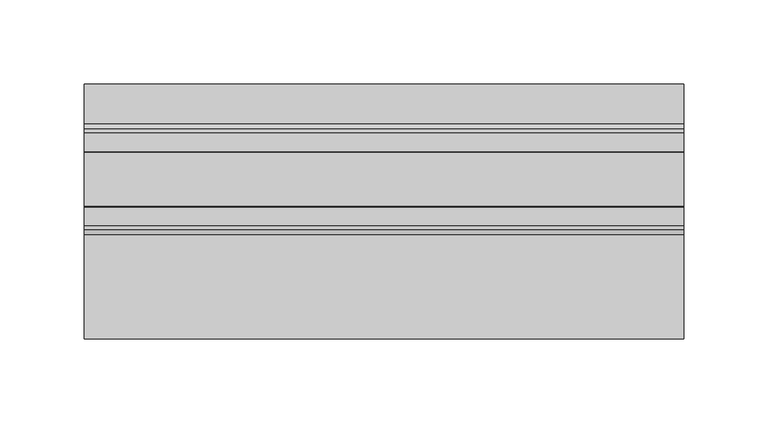
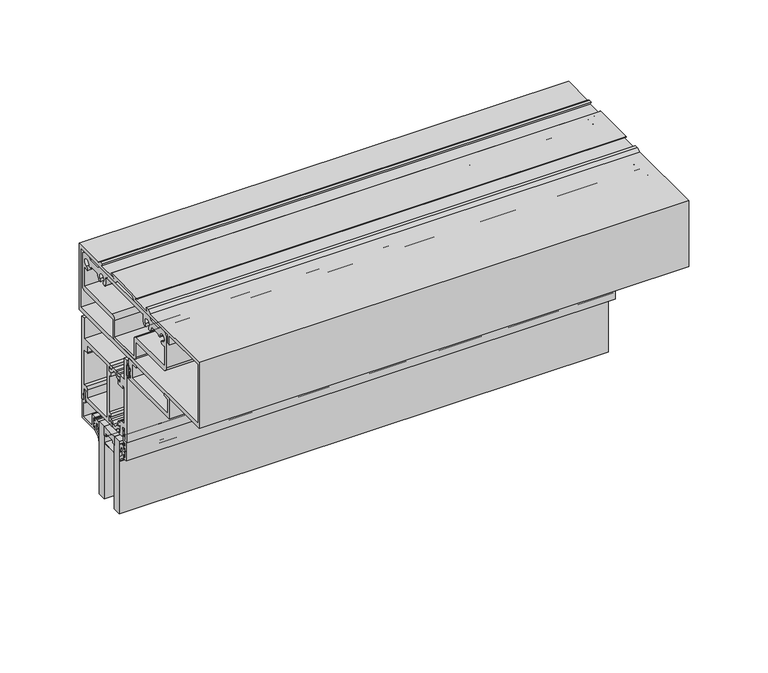
"""IFC4 building model written with IfcOpenShell, lengths in millimetres: plate geometry."""

from ifc_helpers import new_model, si_unit, point, frame, frame_2d, origin, place, context, project, spatial, polyline, circle_curve, trimmed, segment, composite_curve, outline, extrude, source, transform, mapped, element, save


def plate_f03c325b(model_context):
    return source(origin(), model_context, "Body", "SweptSolid", [
        extrude(outline(composite_curve([segment(trimmed(circle_curve(frame_2d((-12.7, 252.348624)), 24.4943092), [point((-19.05, 228.6917289))], [point((-6.35, 228.6917289))], True, "CARTESIAN"), True, "CONTINUOUS"), segment(polyline([(-6.35, 228.6917289), (-6.35, 221.663957)]), True, "CONTINUOUS"), segment(trimmed(circle_curve(frame_2d((-7.14375, 221.663957)), 0.79375), [point((-6.35, 221.663957))], [point((-7.14375, 222.457707))], True, "CARTESIAN"), True, "CONTINUOUS"), segment(polyline([(-7.14375, 222.457707), (-8.3728775, 222.457707), (-8.3728775, 223.5556044)]), True, "CONTINUOUS"), segment(trimmed(circle_curve(frame_2d((-9.1666275, 223.5556044)), 0.79375), [point((-8.3728775, 223.5556044))], [point((-9.1666275, 224.3493544))], True, "CARTESIAN"), True, "CONTINUOUS"), segment(polyline([(-9.1666275, 224.3493544), (-16.2333725, 224.3493544)]), True, "CONTINUOUS"), segment(trimmed(circle_curve(frame_2d((-16.2333725, 223.5556044)), 0.79375), [point((-16.2333725, 224.3493544))], [point((-17.0271225, 223.5556044))], True, "CARTESIAN"), True, "CONTINUOUS"), segment(polyline([(-17.0271225, 223.5556044), (-17.0271225, 222.457707), (-18.25625, 222.457707)]), True, "CONTINUOUS"), segment(trimmed(circle_curve(frame_2d((-18.25625, 221.663957)), 0.79375), [point((-18.25625, 222.457707))], [point((-19.05, 221.663957))], True, "CARTESIAN"), True, "CONTINUOUS"), segment(polyline([(-19.05, 221.663957), (-19.05, 228.6917289)]), True, "CONTINUOUS")], self_intersect=False)), frame((-177.8, 0.0, 0.0), z_axis=(1.0, 0.0, 0.0), x_axis=(0.0, 1.0, 0.0)), (0.0, 0.0, 1.0), 355.6),
        extrude(outline(composite_curve([segment(polyline([(-34.9514484, 293.1066499), (-34.9514484, 285.1817967)]), True, "CONTINUOUS"), segment(trimmed(circle_curve(frame_2d((-36.1452484, 285.1817967)), 1.1938), [point((-34.9514484, 285.1817967))], [point((-37.3390484, 285.1817967))], False, "CARTESIAN"), True, "CONTINUOUS"), segment(polyline([(-37.3390484, 285.1817967), (-37.3390484, 287.1879153), (-38.31675, 287.1879153), (-38.31675, 285.7147153), (-39.2186484, 285.7147153), (-39.2186484, 287.5689153), (-37.7962484, 287.5689153), (-37.7962484, 290.7185153), (-39.2186484, 290.7185153), (-39.2186484, 292.5727153), (-38.31675, 292.5727153), (-38.31675, 291.0995153), (-37.3390484, 291.0995153), (-37.3390484, 293.1066499)]), True, "CONTINUOUS"), segment(trimmed(circle_curve(frame_2d((-36.1452484, 293.1066499)), 1.1938), [point((-37.3390484, 293.1066499))], [point((-34.9514484, 293.1066499))], False, "CARTESIAN"), True, "CONTINUOUS")], self_intersect=False), holes=[composite_curve([segment(trimmed(circle_curve(frame_2d((-36.1452484, 293.1066499)), 0.6858), [point((-35.4594484, 293.1066499))], [point((-36.8310484, 293.1066499))], True, "CARTESIAN"), True, "CONTINUOUS"), segment(polyline([(-36.8310484, 293.1066499), (-36.8310484, 285.1817967)]), True, "CONTINUOUS"), segment(trimmed(circle_curve(frame_2d((-36.1452484, 285.1817967)), 0.6858), [point((-36.8310484, 285.1817967))], [point((-35.4594484, 285.1817967))], True, "CARTESIAN"), True, "CONTINUOUS"), segment(polyline([(-35.4594484, 285.1817967), (-35.4594484, 293.1066499)]), True, "CONTINUOUS")], self_intersect=False)]), frame((-177.8, 0.0, 0.0), z_axis=(1.0, 0.0, 0.0), x_axis=(0.0, 1.0, 0.0)), (0.0, 0.0, 1.0), 355.6),
        extrude(outline(polyline([(-177.8, -6.35), (-177.8, 0.0), (177.8, 0.0), (177.8, -6.35), (-177.8, -6.35)])), frame((0.0, 0.0, 172.6847153), z_axis=(0.0, 0.0, 1.0), x_axis=(1.0, 0.0, 0.0)), (0.0, 0.0, 1.0), 56.0070136),
        extrude(outline(polyline([(-177.8, -25.4), (-177.8, -19.05), (177.8, -19.05), (177.8, -25.4), (-177.8, -25.4)])), frame((0.0, 0.0, 172.6847153), z_axis=(0.0, 0.0, 1.0), x_axis=(1.0, 0.0, 0.0)), (0.0, 0.0, 1.0), 56.0070136),
        extrude(outline(composite_curve([segment(polyline([(1.2146236, 217.7547881), (3.6195019, 220.0298082), (3.6195019, 223.3964394)]), True, "CONTINUOUS"), segment(trimmed(circle_curve(frame_2d((3.9370017, 223.7514153)), 0.47625), [point((3.6195019, 223.3964394))], [point((3.619501, 224.1063905))], True, "CARTESIAN"), True, "CONTINUOUS"), segment(polyline([(3.619501, 224.1063905), (3.619501, 225.6894264)]), True, "CONTINUOUS"), segment(trimmed(circle_curve(frame_2d((3.1116463, 224.2840488)), 1.4943235), [point((3.619501, 225.6894264))], [point((1.6174209, 224.301171))], True, "CARTESIAN"), True, "CONTINUOUS"), segment(polyline([(1.6174209, 224.301171), (0.5798898, 220.9663861)]), True, "CONTINUOUS"), segment(trimmed(circle_curve(frame_2d((0.2963183, 221.0546119)), 0.2969791), [point((0.5798898, 220.9663861))], [point((0.0, 221.0348119))], False, "CARTESIAN"), True, "CONTINUOUS"), segment(polyline([(0.0, 221.0348119), (0.0, 225.0824819)]), True, "CONTINUOUS"), segment(trimmed(circle_curve(frame_2d((2.8819649, 225.2349635)), 2.8859959), [point((0.0, 225.0824819))], [point((2.7993723, 228.1197774))], False, "CARTESIAN"), True, "CONTINUOUS"), segment(polyline([(2.7993723, 228.1197774), (3.619501, 228.1432578), (4.7625003, 228.1432578), (4.7625003, 225.2246164), (6.1341013, 225.2246164), (6.1341013, 226.5374454)]), True, "CONTINUOUS"), segment(trimmed(circle_curve(frame_2d((6.4896997, 226.8248149)), 0.4571996), [point((6.1341013, 226.5374454))], [point((6.9468994, 226.8248149))], False, "CARTESIAN"), True, "CONTINUOUS"), segment(polyline([(6.9468994, 226.8248149), (6.9468994, 224.7570221)]), True, "CONTINUOUS"), segment(trimmed(circle_curve(frame_2d((6.4706494, 224.7065795)), 0.4789139), [point((6.9468994, 224.7570221))], [point((6.4706494, 224.2276656))], False, "CARTESIAN"), True, "CONTINUOUS"), segment(trimmed(circle_curve(frame_2d((6.4706494, 223.7514156)), 0.47625), [point((6.4706494, 224.2276656))], [point((6.4706494, 223.2751656))], True, "CARTESIAN"), True, "CONTINUOUS"), segment(trimmed(circle_curve(frame_2d((6.3248962, 222.6704806)), 0.6220032), [point((6.4706494, 223.2751656))], [point((6.9468994, 222.6704806))], False, "CARTESIAN"), True, "CONTINUOUS"), segment(polyline([(6.9468994, 222.6704806), (6.9468994, 220.6780162)]), True, "CONTINUOUS"), segment(trimmed(circle_curve(frame_2d((6.4896997, 220.6780162)), 0.4571996), [point((6.9468994, 220.6780162))], [point((6.134102, 220.9653866))], False, "CARTESIAN"), True, "CONTINUOUS"), segment(polyline([(6.134102, 220.9653866), (6.134102, 222.2782299), (4.7625003, 222.2782299), (4.7625003, 218.4065425), (1.4889495, 215.9053304)]), True, "CONTINUOUS"), segment(trimmed(circle_curve(frame_2d((3.0879023, 213.93243)), 2.5394854), [point((1.4889495, 215.9053304))], [point((0.5496136, 213.8544755))], True, "CARTESIAN"), True, "CONTINUOUS"), segment(trimmed(circle_curve(frame_2d((0.2748716, 213.8460377)), 0.2748716), [point((0.5496136, 213.8544755))], [point((0.0, 213.8460377))], False, "CARTESIAN"), True, "CONTINUOUS"), segment(polyline([(0.0, 213.8460377), (0.0, 215.5592614)]), True, "CONTINUOUS"), segment(trimmed(circle_curve(frame_2d((3.0412561, 215.3105023)), 3.0514128), [point((0.0, 215.5592614))], [point((1.2146236, 217.7547881))], False, "CARTESIAN"), True, "CONTINUOUS")], self_intersect=False)), frame((-177.8, 0.0, 0.0), z_axis=(1.0, 0.0, 0.0), x_axis=(0.0, 1.0, 0.0)), (0.0, 0.0, 1.0), 355.6),
        extrude(outline(composite_curve([segment(trimmed(circle_curve(frame_2d((-28.4412561, 215.3105023)), 3.0514128), [point((-26.6146236, 217.7547881))], [point((-25.4, 215.5592614))], False, "CARTESIAN"), True, "CONTINUOUS"), segment(polyline([(-25.4, 215.5592614), (-25.4, 213.8460377)]), True, "CONTINUOUS"), segment(trimmed(circle_curve(frame_2d((-25.6748716, 213.8460377)), 0.2748716), [point((-25.4, 213.8460377))], [point((-25.9496136, 213.8544755))], False, "CARTESIAN"), True, "CONTINUOUS"), segment(trimmed(circle_curve(frame_2d((-28.4879023, 213.93243)), 2.5394854), [point((-25.9496136, 213.8544755))], [point((-26.8889495, 215.9053304))], True, "CARTESIAN"), True, "CONTINUOUS"), segment(polyline([(-26.8889495, 215.9053304), (-30.1625003, 218.4065425), (-30.1625003, 222.2782299), (-31.534102, 222.2782299), (-31.534102, 220.9653866)]), True, "CONTINUOUS"), segment(trimmed(circle_curve(frame_2d((-31.8896997, 220.6780162)), 0.4571996), [point((-31.534102, 220.9653866))], [point((-32.3468994, 220.6780162))], False, "CARTESIAN"), True, "CONTINUOUS"), segment(polyline([(-32.3468994, 220.6780162), (-32.3468994, 222.6704806)]), True, "CONTINUOUS"), segment(trimmed(circle_curve(frame_2d((-31.7248962, 222.6704806)), 0.6220032), [point((-32.3468994, 222.6704806))], [point((-31.8706494, 223.2751656))], False, "CARTESIAN"), True, "CONTINUOUS"), segment(trimmed(circle_curve(frame_2d((-31.8706494, 223.7514156)), 0.47625), [point((-31.8706494, 223.2751656))], [point((-31.8706494, 224.2276656))], True, "CARTESIAN"), True, "CONTINUOUS"), segment(trimmed(circle_curve(frame_2d((-31.8706494, 224.7065795)), 0.4789139), [point((-31.8706494, 224.2276656))], [point((-32.3468994, 224.7570221))], False, "CARTESIAN"), True, "CONTINUOUS"), segment(polyline([(-32.3468994, 224.7570221), (-32.3468994, 226.8248149)]), True, "CONTINUOUS"), segment(trimmed(circle_curve(frame_2d((-31.8896997, 226.8248149)), 0.4571996), [point((-32.3468994, 226.8248149))], [point((-31.5341013, 226.5374454))], False, "CARTESIAN"), True, "CONTINUOUS"), segment(polyline([(-31.5341013, 226.5374454), (-31.5341013, 225.2246164), (-30.1625, 225.2246164), (-30.1625, 228.1432578), (-29.019501, 228.1432578), (-28.1993723, 228.1197774)]), True, "CONTINUOUS"), segment(trimmed(circle_curve(frame_2d((-28.2819649, 225.2349635)), 2.8859959), [point((-28.1993723, 228.1197774))], [point((-25.4, 225.0824819))], False, "CARTESIAN"), True, "CONTINUOUS"), segment(polyline([(-25.4, 225.0824819), (-25.4, 221.0348119)]), True, "CONTINUOUS"), segment(trimmed(circle_curve(frame_2d((-25.6963183, 221.0546119)), 0.2969791), [point((-25.4, 221.0348119))], [point((-25.9798898, 220.9663861))], False, "CARTESIAN"), True, "CONTINUOUS"), segment(polyline([(-25.9798898, 220.9663861), (-27.0174209, 224.301171)]), True, "CONTINUOUS"), segment(trimmed(circle_curve(frame_2d((-28.5116463, 224.2840488)), 1.4943235), [point((-27.0174209, 224.301171))], [point((-29.019501, 225.6894264))], True, "CARTESIAN"), True, "CONTINUOUS"), segment(polyline([(-29.019501, 225.6894264), (-29.019501, 224.1063905)]), True, "CONTINUOUS"), segment(trimmed(circle_curve(frame_2d((-29.3370017, 223.7514153)), 0.47625), [point((-29.019501, 224.1063905))], [point((-29.0195019, 223.3964394))], True, "CARTESIAN"), True, "CONTINUOUS"), segment(polyline([(-29.0195019, 223.3964394), (-29.0195019, 220.0298082), (-26.6146236, 217.7547881)]), True, "CONTINUOUS")], self_intersect=False)), frame((-177.8, 0.0, 0.0), z_axis=(1.0, 0.0, 0.0), x_axis=(0.0, 1.0, 0.0)), (0.0, 0.0, 1.0), 355.6),
        extrude(outline(composite_curve([segment(trimmed(circle_curve(frame_2d((19.0500001, 234.7414348)), 1.4732), [point((17.5768001, 234.7414348))], [point((18.2080195, 235.9503131))], False, "CARTESIAN"), True, "CONTINUOUS"), segment(polyline([(18.2080195, 235.9503131), (17.0960031, 242.0744148), (18.4105948, 242.0744148), (19.7607074, 234.6405968), (18.9879884, 234.7500377), (18.9879884, 233.0353133), (21.4376001, 232.9050148), (21.4376001, 218.6302148), (4.9022001, 218.6302148), (4.7752001, 220.6622148)]), True, "CONTINUOUS"), segment(trimmed(circle_curve(frame_2d((5.5881395, 220.6621578)), 0.8129393), [point((4.7752001, 220.6622148))], [point((5.7899301, 221.4496544))], False, "CARTESIAN"), True, "CONTINUOUS"), segment(polyline([(5.7899301, 221.4496544), (5.7899301, 219.9002148), (7.1628001, 219.9002148), (7.1628001, 227.3932148), (5.7899301, 227.3932148), (5.7899301, 225.8437751)]), True, "CONTINUOUS"), segment(trimmed(circle_curve(frame_2d((5.5881398, 226.6312721)), 0.8129397), [point((5.7899301, 225.8437751))], [point((4.7752001, 226.6312721))], False, "CARTESIAN"), True, "CONTINUOUS"), segment(polyline([(4.7752001, 226.6312721), (4.7752001, 228.6632148), (8.7376001, 228.6632148), (8.7376001, 220.1034148), (19.9644001, 220.1034148), (19.9644001, 231.5588148), (19.0500001, 231.5588148)]), True, "CONTINUOUS"), segment(trimmed(circle_curve(frame_2d((19.0500001, 233.0320148)), 1.4732), [point((19.0500001, 231.5588148))], [point((17.5768001, 233.0320148))], False, "CARTESIAN"), True, "CONTINUOUS"), segment(polyline([(17.5768001, 233.0320148), (17.5768001, 234.7414348)]), True, "CONTINUOUS")], self_intersect=False)), frame((-177.8, 0.0, 0.0), z_axis=(1.0, 0.0, 0.0), x_axis=(0.0, 1.0, 0.0)), (0.0, 0.0, 1.0), 355.6),
        extrude(outline(composite_curve([segment(polyline([(-8.3728775, 223.5556044), (-8.3728775, 222.457707), (-7.14375, 222.457707)]), True, "CONTINUOUS"), segment(trimmed(circle_curve(frame_2d((-7.14375, 221.663957)), 0.79375), [point((-7.14375, 222.457707))], [point((-6.35, 221.663957))], False, "CARTESIAN"), True, "CONTINUOUS"), segment(polyline([(-6.35, 221.663957), (-6.35, 216.7854789)]), True, "CONTINUOUS"), segment(trimmed(circle_curve(frame_2d((-7.14375, 216.7854789)), 0.79375), [point((-6.35, 216.7854789))], [point((-7.14375, 215.9917289))], False, "CARTESIAN"), True, "CONTINUOUS"), segment(polyline([(-7.14375, 215.9917289), (-18.25625, 215.9917289)]), True, "CONTINUOUS"), segment(trimmed(circle_curve(frame_2d((-18.25625, 216.7854789)), 0.79375), [point((-18.25625, 215.9917289))], [point((-19.05, 216.7854789))], False, "CARTESIAN"), True, "CONTINUOUS"), segment(polyline([(-19.05, 216.7854789), (-19.05, 221.663957)]), True, "CONTINUOUS"), segment(trimmed(circle_curve(frame_2d((-18.25625, 221.663957)), 0.79375), [point((-19.05, 221.663957))], [point((-18.25625, 222.457707))], False, "CARTESIAN"), True, "CONTINUOUS"), segment(polyline([(-18.25625, 222.457707), (-17.0271225, 222.457707), (-17.0271225, 223.5556044)]), True, "CONTINUOUS"), segment(trimmed(circle_curve(frame_2d((-16.2333725, 223.5556044)), 0.79375), [point((-17.0271225, 223.5556044))], [point((-16.2333725, 224.3493544))], False, "CARTESIAN"), True, "CONTINUOUS"), segment(polyline([(-16.2333725, 224.3493544), (-9.1666275, 224.3493544)]), True, "CONTINUOUS"), segment(trimmed(circle_curve(frame_2d((-9.1666275, 223.5556044)), 0.79375), [point((-9.1666275, 224.3493544))], [point((-8.3728775, 223.5556044))], False, "CARTESIAN"), True, "CONTINUOUS")], self_intersect=False), holes=[composite_curve([segment(polyline([(-16.5191225, 223.8413544), (-16.5191225, 222.743457)]), True, "CONTINUOUS"), segment(trimmed(circle_curve(frame_2d((-17.3128725, 222.743457)), 0.79375), [point((-16.5191225, 222.743457))], [point((-17.3128725, 221.949707))], False, "CARTESIAN"), True, "CONTINUOUS"), segment(polyline([(-17.3128725, 221.949707), (-18.542, 221.949707), (-18.542, 216.4997289), (-6.858, 216.4997289), (-6.858, 221.949707), (-8.0871275, 221.949707)]), True, "CONTINUOUS"), segment(trimmed(circle_curve(frame_2d((-8.0871275, 222.743457)), 0.79375), [point((-8.0871275, 221.949707))], [point((-8.8808775, 222.743457))], False, "CARTESIAN"), True, "CONTINUOUS"), segment(polyline([(-8.8808775, 222.743457), (-8.8808775, 223.8413544), (-16.5191225, 223.8413544)]), True, "CONTINUOUS")], self_intersect=False)]), frame((-177.8, 0.0, 0.0), z_axis=(1.0, 0.0, 0.0), x_axis=(0.0, 1.0, 0.0)), (0.0, 0.0, 1.0), 355.6),
        extrude(outline(composite_curve([segment(polyline([(-34.1276564, 218.7349153), (-34.0673249, 232.9997986), (-31.6471876, 232.9997986), (-31.6471876, 234.631996), (-32.4372227, 234.5209638), (-31.0981976, 241.9539199), (-29.8175355, 241.8307794), (-30.9128526, 235.7506519)]), True, "CONTINUOUS"), segment(trimmed(circle_curve(frame_2d((-31.7464064, 234.5359477)), 1.4732), [point((-30.9128526, 235.7506519))], [point((-30.2732064, 234.5359477))], False, "CARTESIAN"), True, "CONTINUOUS"), segment(polyline([(-30.2732064, 234.5359477), (-30.2732064, 233.0224153)]), True, "CONTINUOUS"), segment(trimmed(circle_curve(frame_2d((-31.7464064, 233.0224153)), 1.4732), [point((-30.2732064, 233.0224153))], [point((-31.7464064, 231.5492153))], False, "CARTESIAN"), True, "CONTINUOUS"), segment(polyline([(-31.7464064, 231.5492153), (-32.6544564, 231.5492153), (-32.6544564, 228.7679153), (-30.1589064, 228.7679153), (-30.1589064, 226.7486153)]), True, "CONTINUOUS"), segment(trimmed(circle_curve(frame_2d((-30.9717064, 226.7486153)), 0.8128), [point((-30.1589064, 226.7486153))], [point((-31.1749064, 225.9616251))], False, "CARTESIAN"), True, "CONTINUOUS"), segment(polyline([(-31.1749064, 225.9616251), (-31.1749064, 227.4979153), (-32.5401564, 227.4979153), (-32.5401564, 220.0049153), (-31.1749064, 220.0049153), (-31.1749064, 221.5666055)]), True, "CONTINUOUS"), segment(trimmed(circle_curve(frame_2d((-30.9717064, 220.7796153)), 0.8128), [point((-31.1749064, 221.5666055))], [point((-30.1589064, 220.7796153))], False, "CARTESIAN"), True, "CONTINUOUS"), segment(polyline([(-30.1589064, 220.7796153), (-30.2859064, 218.7349153), (-34.1276564, 218.7349153)]), True, "CONTINUOUS")], self_intersect=False)), frame((-177.8, 0.0, 0.0), z_axis=(1.0, 0.0, 0.0), x_axis=(0.0, 1.0, 0.0)), (0.0, 0.0, 1.0), 355.6),
        extrude(outline(composite_curve([segment(trimmed(circle_curve(frame_2d((19.0500001, 234.7414348)), 1.4732), [point((17.5768001, 234.7414348))], [point((18.2080195, 235.9503131))], False, "CARTESIAN"), True, "CONTINUOUS"), segment(polyline([(18.2080195, 235.9503131), (17.0960031, 242.0744148), (18.4105948, 242.0744148), (19.7607074, 234.6405968), (18.9879884, 234.7500377), (18.9879884, 233.0353133), (21.4376001, 232.9050148), (21.4376001, 218.6302148), (4.9022001, 218.6302148), (4.7752001, 220.6622148)]), True, "CONTINUOUS"), segment(trimmed(circle_curve(frame_2d((5.5881395, 220.6621578)), 0.8129393), [point((4.7752001, 220.6622148))], [point((5.7899301, 221.4496544))], False, "CARTESIAN"), True, "CONTINUOUS"), segment(polyline([(5.7899301, 221.4496544), (5.7899301, 219.9002148), (7.1628001, 219.9002148), (7.1628001, 227.3932148), (5.7899301, 227.3932148), (5.7899301, 225.8437751)]), True, "CONTINUOUS"), segment(trimmed(circle_curve(frame_2d((5.5881398, 226.6312721)), 0.8129397), [point((5.7899301, 225.8437751))], [point((4.7752001, 226.6312721))], False, "CARTESIAN"), True, "CONTINUOUS"), segment(polyline([(4.7752001, 226.6312721), (4.7752001, 228.6632148), (8.7376001, 228.6632148), (8.7376001, 220.1034148), (19.9644001, 220.1034148), (19.9644001, 231.5588148), (19.0500001, 231.5588148)]), True, "CONTINUOUS"), segment(trimmed(circle_curve(frame_2d((19.0500001, 233.0320148)), 1.4732), [point((19.0500001, 231.5588148))], [point((17.5768001, 233.0320148))], False, "CARTESIAN"), True, "CONTINUOUS"), segment(polyline([(17.5768001, 233.0320148), (17.5768001, 234.7414348)]), True, "CONTINUOUS")], self_intersect=False)), frame((-177.8, 0.0, 0.0), z_axis=(1.0, 0.0, 0.0), x_axis=(0.0, 1.0, 0.0)), (0.0, 0.0, 1.0), 355.6),
        extrude(outline(composite_curve([segment(trimmed(circle_curve(frame_2d((-37.73499, 291.8615153)), 0.4318), [point((-37.30319, 291.8615153))], [point((-38.1346289, 292.0250391))], False, "CARTESIAN"), True, "CONTINUOUS"), segment(trimmed(circle_curve(frame_2d((-38.7116898, 292.2611602)), 0.6235002), [point((-38.1346289, 292.0250391))], [point((-39.33519, 292.2611602))], True, "CARTESIAN"), True, "CONTINUOUS"), segment(polyline([(-39.33519, 292.2611602), (-39.33519, 285.9687153)]), True, "CONTINUOUS"), segment(trimmed(circle_curve(frame_2d((-38.7222466, 286.0627884)), 0.6201205), [point((-39.33519, 285.9687153))], [point((-38.1402463, 286.2768563))], True, "CARTESIAN"), True, "CONTINUOUS"), segment(trimmed(circle_curve(frame_2d((-37.73499, 286.4259153)), 0.4318), [point((-38.1402463, 286.2768563))], [point((-37.30319, 286.4259153))], False, "CARTESIAN"), True, "CONTINUOUS"), segment(polyline([(-37.30319, 286.4259153), (-37.30319, 284.5971153)]), True, "CONTINUOUS"), segment(trimmed(circle_curve(frame_2d((-38.09059, 284.5971153)), 0.7874), [point((-37.30319, 284.5971153))], [point((-38.09059, 283.8097153))], False, "CARTESIAN"), True, "CONTINUOUS"), segment(polyline([(-38.09059, 283.8097153), (-88.1032275, 283.8097153), (-88.1032275, 299.6847153), (-81.7532275, 299.5739713), (-81.7532275, 298.1099153), (-86.5284275, 298.1099153), (-86.5284275, 286.9847153), (-41.5196275, 286.9847153), (-41.5196275, 298.1099153), (-46.8282275, 298.1099153), (-46.8282275, 299.5183453), (-37.30319, 299.6847153), (-37.30319, 291.8615153)]), True, "CONTINUOUS")], self_intersect=False)), frame((-177.8, 0.0, 0.0), z_axis=(1.0, 0.0, 0.0), x_axis=(0.0, 1.0, 0.0)), (0.0, 0.0, 1.0), 355.6),
        extrude(outline(composite_curve([segment(polyline([(19.0500001, 280.6474153), (19.0500001, 296.5224153), (21.8948001, 296.5224153), (21.8948001, 233.0224153), (19.0500001, 233.0224153), (19.0500001, 234.2924153), (19.862795, 234.2924153), (19.4499993, 242.5220153), (17.0688001, 242.5220153), (17.0688001, 236.1910934)]), True, "CONTINUOUS"), segment(trimmed(circle_curve(frame_2d((15.4940001, 236.1910934)), 1.5748), [point((17.0688001, 236.1910934))], [point((15.4940001, 234.6162934))], False, "CARTESIAN"), True, "CONTINUOUS"), segment(polyline([(15.4940001, 234.6162934), (-12.4616861, 234.6162934), (-14.6792966, 235.2105003), (-15.283713, 234.707152)]), True, "CONTINUOUS"), segment(trimmed(circle_curve(frame_2d((-15.8690069, 235.287496)), 0.8242378), [point((-15.283713, 234.707152))], [point((-16.5466491, 235.7567177))], False, "CARTESIAN"), True, "CONTINUOUS"), segment(polyline([(-16.5466491, 235.7567177), (-15.8444381, 236.7708392), (-14.1842071, 237.500107), (-12.9464135, 236.3561103)]), True, "CONTINUOUS"), segment(trimmed(circle_curve(frame_2d((-12.3966681, 236.5800475)), 0.5936058), [point((-12.9464135, 236.3561103))], [point((-11.8030624, 236.5800475))], True, "CARTESIAN"), True, "CONTINUOUS"), segment(polyline([(-11.8030624, 236.5800475), (-11.8030624, 241.6113576), (-14.8259799, 241.1722604), (-14.8259799, 243.3199966), (-12.4078999, 243.3199966), (-12.4078999, 271.9437121), (-14.8259799, 271.9437121), (-14.8259799, 274.8939851), (-12.0014999, 274.4837121), (-12.0014999, 278.6836612)]), True, "CONTINUOUS"), segment(trimmed(circle_curve(frame_2d((-12.5951057, 278.6836612)), 0.5936058), [point((-12.0014999, 278.6836612))], [point((-13.1887114, 278.6836612))], True, "CARTESIAN"), True, "CONTINUOUS"), segment(polyline([(-13.1887114, 278.6836612), (-14.1842071, 277.7636016), (-15.8444381, 278.4928695), (-16.5466491, 279.506991)]), True, "CONTINUOUS"), segment(trimmed(circle_curve(frame_2d((-15.8690069, 279.9762127)), 0.8242378), [point((-16.5466491, 279.506991))], [point((-15.283713, 280.5565566))], False, "CARTESIAN"), True, "CONTINUOUS"), segment(polyline([(-15.283713, 280.5565566), (-14.6792966, 280.0532084), (-12.4616861, 280.6474153), (19.0500001, 280.6474153)]), True, "CONTINUOUS")], self_intersect=False), holes=[composite_curve([segment(trimmed(circle_curve(frame_2d((15.0876001, 272.7311121)), 0.7874), [point((15.0876001, 271.9437121))], [point((14.3002001, 272.7311121))], False, "CARTESIAN"), True, "CONTINUOUS"), segment(polyline([(14.3002001, 272.7311121), (14.3002001, 277.4724153), (-9.2328999, 277.4724153), (-9.2328999, 237.7912934), (14.3002001, 237.7912934), (14.3002001, 244.1222153)]), True, "CONTINUOUS"), segment(trimmed(circle_curve(frame_2d((15.8750001, 244.1222153)), 1.5748), [point((14.3002001, 244.1222153))], [point((15.8750001, 245.6970153))], False, "CARTESIAN"), True, "CONTINUOUS"), segment(polyline([(15.8750001, 245.6970153), (18.7198001, 245.6970153), (18.7198001, 271.9437121), (15.0876001, 271.9437121)]), True, "CONTINUOUS")], self_intersect=False)]), frame((-177.8, 0.0, 0.0), z_axis=(1.0, 0.0, 0.0), x_axis=(0.0, 1.0, 0.0)), (0.0, 0.0, 1.0), 355.6),
        extrude(outline(composite_curve([segment(polyline([(-23.7820199, 239.8550278), (-26.6064999, 241.4857421), (-26.6064999, 236.5918521)]), True, "CONTINUOUS"), segment(trimmed(circle_curve(frame_2d((-26.0984998, 236.5918521)), 0.508), [point((-26.6064999, 236.5918521))], [point((-26.0926066, 236.0838862))], True, "CARTESIAN"), True, "CONTINUOUS"), segment(polyline([(-26.0926066, 236.0838862), (-24.4021052, 237.5023853), (-22.7635618, 236.7826438), (-21.9926524, 235.6693093), (-21.9926524, 234.6280979), (-23.1924006, 234.6280979), (-23.8073259, 235.2430233), (-26.146241, 234.6163129), (-28.1861634, 234.6163129)]), True, "CONTINUOUS"), segment(trimmed(circle_curve(frame_2d((-28.1939999, 236.1910934)), 1.5748), [point((-28.1861634, 234.6163129))], [point((-29.7687999, 236.1910934))], False, "CARTESIAN"), True, "CONTINUOUS"), segment(polyline([(-29.7687999, 236.1910934), (-29.7687999, 242.5220153), (-32.1499991, 242.5220153), (-32.5627999, 234.2924153), (-31.7499999, 234.2924153), (-31.7499999, 233.0224153), (-34.5947999, 233.0224153), (-34.5947999, 296.5224153), (-31.7499999, 296.5224153), (-31.7499999, 280.6474153), (-26.1463137, 280.6474153), (-23.9287032, 280.0532084), (-22.4438438, 280.6474153), (-21.9101175, 279.7229743), (-22.7675508, 278.4984326), (-24.238078, 277.7465668), (-26.6064998, 279.4049536), (-26.6064998, 273.7897712), (-23.7820198, 275.4204855), (-23.7820198, 271.9437121), (-29.7698572, 271.9437121), (-29.7698572, 273.4424337)]), True, "CONTINUOUS"), segment(trimmed(circle_curve(frame_2d((-30.5958838, 273.4424337)), 0.8260266), [point((-29.7698572, 273.4424337))], [point((-31.4219104, 273.4424337))], True, "CARTESIAN"), True, "CONTINUOUS"), segment(polyline([(-31.4219104, 273.4424337), (-31.4219104, 245.6970153), (-28.1685999, 245.6970153)]), True, "CONTINUOUS"), segment(trimmed(circle_curve(frame_2d((-28.1685999, 244.1222153)), 1.5748), [point((-28.1685999, 245.6970153))], [point((-26.8134467, 243.3199966))], False, "CARTESIAN"), True, "CONTINUOUS"), segment(polyline([(-26.8134467, 243.3199966), (-23.7820199, 243.3199966), (-23.7820199, 239.8550278)]), True, "CONTINUOUS")], self_intersect=False)), frame((-177.8, 0.0, 0.0), z_axis=(1.0, 0.0, 0.0), x_axis=(0.0, 1.0, 0.0)), (0.0, 0.0, 1.0), 355.6),
        extrude(outline(composite_curve([segment(trimmed(circle_curve(frame_2d((-23.1809622, 242.2374204)), 2.4892), [point((-24.4255622, 240.0817099))], [point((-23.5568194, 239.7767603))], True, "CARTESIAN"), True, "CONTINUOUS"), segment(trimmed(circle_curve(frame_2d((-23.9403472, 237.2658827)), 2.54), [point((-23.5568194, 239.7767603))], [point((-21.9860723, 238.8883529))], False, "CARTESIAN"), True, "CONTINUOUS"), segment(polyline([(-21.9860723, 238.8883529), (-20.6266866, 237.2509649)]), True, "CONTINUOUS"), segment(trimmed(circle_curve(frame_2d((-19.2977797, 238.3542447)), 1.7272), [point((-20.6266866, 237.2509649))], [point((-17.9688728, 237.2509649))], True, "CARTESIAN"), True, "CONTINUOUS"), segment(polyline([(-17.9688728, 237.2509649), (-16.6095134, 238.8883212)]), True, "CONTINUOUS"), segment(trimmed(circle_curve(frame_2d((-14.6552385, 237.2658509)), 2.54), [point((-16.6095134, 238.8883212))], [point((-15.0387663, 239.7767285))], False, "CARTESIAN"), True, "CONTINUOUS"), segment(trimmed(circle_curve(frame_2d((-15.4146236, 242.2373886)), 2.4892), [point((-15.0387663, 239.7767285))], [point((-14.1700236, 240.0816782))], True, "CARTESIAN"), True, "CONTINUOUS"), segment(polyline([(-14.1700236, 240.0816782), (-11.9953005, 241.3372551), (-11.9953005, 236.2412063), (-14.9359681, 237.8773974), (-17.566093, 234.7093966), (-21.029508, 234.7093966), (-23.834942, 238.0885581), (-26.5506911, 236.541001), (-26.5506911, 241.3086537), (-24.4255622, 240.0817099)]), True, "CONTINUOUS")], self_intersect=False)), frame((-177.8, 0.0, 0.0), z_axis=(1.0, 0.0, 0.0), x_axis=(0.0, 1.0, 0.0)), (0.0, 0.0, 1.0), 355.6),
        extrude(outline(composite_curve([segment(polyline([(-24.4237926, 275.1944315), (-26.5568905, 274.0075731), (-26.5568905, 279.0475646), (-23.5912193, 277.3353336), (-21.0357074, 280.4134626), (-17.5722923, 280.4134626), (-14.9421674, 277.2454618), (-12.1255233, 278.8126461), (-12.1255233, 274.5497918), (-14.1197627, 275.2068338)]), True, "CONTINUOUS"), segment(trimmed(circle_curve(frame_2d((-15.3643627, 273.0511234)), 2.4892), [point((-14.1197627, 275.2068338))], [point((-14.9885054, 275.5117834))], True, "CARTESIAN"), True, "CONTINUOUS"), segment(trimmed(circle_curve(frame_2d((-14.6049777, 278.0226611)), 2.54), [point((-14.9885054, 275.5117834))], [point((-16.5592525, 276.4001908))], False, "CARTESIAN"), True, "CONTINUOUS"), segment(polyline([(-16.5592525, 276.4001908), (-17.8965359, 278.0109564)]), True, "CONTINUOUS"), segment(trimmed(circle_curve(frame_2d((-19.2254428, 276.9076766)), 1.7272), [point((-17.8965359, 278.0109564))], [point((-20.5543497, 278.0109564))], True, "CARTESIAN"), True, "CONTINUOUS"), segment(polyline([(-20.5543497, 278.0109564), (-22.020802, 276.3464041)]), True, "CONTINUOUS"), segment(trimmed(circle_curve(frame_2d((-23.9293144, 277.957658)), 2.4977107), [point((-22.020802, 276.3464041))], [point((-23.5632497, 275.4869181))], False, "CARTESIAN"), True, "CONTINUOUS"), segment(trimmed(circle_curve(frame_2d((-23.1923385, 272.9834667)), 2.5307794), [point((-23.5632497, 275.4869181))], [point((-24.4237926, 275.1944315))], True, "CARTESIAN"), True, "CONTINUOUS")], self_intersect=False)), frame((-177.8, 0.0, 0.0), z_axis=(1.0, 0.0, 0.0), x_axis=(0.0, 1.0, 0.0)), (0.0, 0.0, 1.0), 355.6),
        extrude(outline(composite_curve([segment(polyline([(19.0500001, 280.6474153), (19.0500001, 296.5224153), (21.8948001, 296.5224153), (21.8948001, 233.0224153), (19.0500001, 233.0224153), (19.0500001, 234.2924153), (19.862795, 234.2924153), (19.4499993, 242.5220153), (17.0688001, 242.5220153), (17.0688001, 236.1910934)]), True, "CONTINUOUS"), segment(trimmed(circle_curve(frame_2d((15.4940001, 236.1910934)), 1.5748), [point((17.0688001, 236.1910934))], [point((15.4940001, 234.6162934))], False, "CARTESIAN"), True, "CONTINUOUS"), segment(polyline([(15.4940001, 234.6162934), (-12.4616861, 234.6162934), (-14.6792966, 235.2105003), (-15.283713, 234.707152)]), True, "CONTINUOUS"), segment(trimmed(circle_curve(frame_2d((-15.8690069, 235.287496)), 0.8242378), [point((-15.283713, 234.707152))], [point((-16.5466491, 235.7567177))], False, "CARTESIAN"), True, "CONTINUOUS"), segment(polyline([(-16.5466491, 235.7567177), (-15.8444381, 236.7708392), (-14.1842071, 237.500107), (-12.9464135, 236.3561103)]), True, "CONTINUOUS"), segment(trimmed(circle_curve(frame_2d((-12.3966681, 236.5800475)), 0.5936058), [point((-12.9464135, 236.3561103))], [point((-11.8030624, 236.5800475))], True, "CARTESIAN"), True, "CONTINUOUS"), segment(polyline([(-11.8030624, 236.5800475), (-11.8030624, 241.6113576), (-14.8259799, 241.1722604), (-14.8259799, 243.3199966), (-12.4078999, 243.3199966), (-12.4078999, 271.9437121), (-14.8259799, 271.9437121), (-14.8259799, 274.8939851), (-12.0014999, 274.4837121), (-12.0014999, 278.6836612)]), True, "CONTINUOUS"), segment(trimmed(circle_curve(frame_2d((-12.5951057, 278.6836612)), 0.5936058), [point((-12.0014999, 278.6836612))], [point((-13.1887114, 278.6836612))], True, "CARTESIAN"), True, "CONTINUOUS"), segment(polyline([(-13.1887114, 278.6836612), (-14.1842071, 277.7636016), (-15.8444381, 278.4928695), (-16.5466491, 279.506991)]), True, "CONTINUOUS"), segment(trimmed(circle_curve(frame_2d((-15.8690069, 279.9762127)), 0.8242378), [point((-16.5466491, 279.506991))], [point((-15.283713, 280.5565566))], False, "CARTESIAN"), True, "CONTINUOUS"), segment(polyline([(-15.283713, 280.5565566), (-14.6792966, 280.0532084), (-12.4616861, 280.6474153), (19.0500001, 280.6474153)]), True, "CONTINUOUS")], self_intersect=False), holes=[composite_curve([segment(trimmed(circle_curve(frame_2d((15.0876001, 272.7311121)), 0.7874), [point((15.0876001, 271.9437121))], [point((14.3002001, 272.7311121))], False, "CARTESIAN"), True, "CONTINUOUS"), segment(polyline([(14.3002001, 272.7311121), (14.3002001, 277.4724153), (-9.2328999, 277.4724153), (-9.2328999, 237.7912934), (14.3002001, 237.7912934), (14.3002001, 244.1222153)]), True, "CONTINUOUS"), segment(trimmed(circle_curve(frame_2d((15.8750001, 244.1222153)), 1.5748), [point((14.3002001, 244.1222153))], [point((15.8750001, 245.6970153))], False, "CARTESIAN"), True, "CONTINUOUS"), segment(polyline([(15.8750001, 245.6970153), (18.7198001, 245.6970153), (18.7198001, 271.9437121), (15.0876001, 271.9437121)]), True, "CONTINUOUS")], self_intersect=False)]), frame((-177.8, 0.0, 0.0), z_axis=(1.0, 0.0, 0.0), x_axis=(0.0, 1.0, 0.0)), (0.0, 0.0, 1.0), 355.6),
        extrude(outline(composite_curve([segment(polyline([(-23.7820199, 239.8550278), (-26.6064999, 241.4857421), (-26.6064999, 236.5918521)]), True, "CONTINUOUS"), segment(trimmed(circle_curve(frame_2d((-26.0984998, 236.5918521)), 0.508), [point((-26.6064999, 236.5918521))], [point((-26.0926066, 236.0838862))], True, "CARTESIAN"), True, "CONTINUOUS"), segment(polyline([(-26.0926066, 236.0838862), (-24.4021052, 237.5023853), (-22.7635618, 236.7826438), (-21.9926524, 235.6693093), (-21.9926524, 234.6280979), (-23.1924006, 234.6280979), (-23.8073259, 235.2430233), (-26.146241, 234.6163129), (-28.1861634, 234.6163129)]), True, "CONTINUOUS"), segment(trimmed(circle_curve(frame_2d((-28.1939999, 236.1910934)), 1.5748), [point((-28.1861634, 234.6163129))], [point((-29.7687999, 236.1910934))], False, "CARTESIAN"), True, "CONTINUOUS"), segment(polyline([(-29.7687999, 236.1910934), (-29.7687999, 242.5220153), (-32.1499991, 242.5220153), (-32.5627999, 234.2924153), (-31.7499999, 234.2924153), (-31.7499999, 233.0224153), (-34.5947999, 233.0224153), (-34.5947999, 296.5224153), (-31.7499999, 296.5224153), (-31.7499999, 280.6474153), (-26.1463137, 280.6474153), (-23.9287032, 280.0532084), (-22.4438438, 280.6474153), (-21.9101175, 279.7229743), (-22.7675508, 278.4984326), (-24.238078, 277.7465668), (-26.6064998, 279.4049536), (-26.6064998, 273.7897712), (-23.7820198, 275.4204855), (-23.7820198, 271.9437121), (-29.7698572, 271.9437121), (-29.7698572, 273.4424337)]), True, "CONTINUOUS"), segment(trimmed(circle_curve(frame_2d((-30.5958838, 273.4424337)), 0.8260266), [point((-29.7698572, 273.4424337))], [point((-31.4219104, 273.4424337))], True, "CARTESIAN"), True, "CONTINUOUS"), segment(polyline([(-31.4219104, 273.4424337), (-31.4219104, 245.6970153), (-28.1685999, 245.6970153)]), True, "CONTINUOUS"), segment(trimmed(circle_curve(frame_2d((-28.1685999, 244.1222153)), 1.5748), [point((-28.1685999, 245.6970153))], [point((-26.8134467, 243.3199966))], False, "CARTESIAN"), True, "CONTINUOUS"), segment(polyline([(-26.8134467, 243.3199966), (-23.7820199, 243.3199966), (-23.7820199, 239.8550278)]), True, "CONTINUOUS")], self_intersect=False)), frame((-177.8, 0.0, 0.0), z_axis=(1.0, 0.0, 0.0), x_axis=(0.0, 1.0, 0.0)), (0.0, 0.0, 1.0), 355.6),
        extrude(outline(composite_curve([segment(polyline([(19.0500001, 280.6474153), (19.0500001, 296.5224153), (21.8948001, 296.5224153), (21.8948001, 233.0224153), (19.0500001, 233.0224153), (19.0500001, 234.2924153), (19.862795, 234.2924153), (19.4499993, 242.5220153), (17.0688001, 242.5220153), (17.0688001, 236.1910934)]), True, "CONTINUOUS"), segment(trimmed(circle_curve(frame_2d((15.4940001, 236.1910934)), 1.5748), [point((17.0688001, 236.1910934))], [point((15.4940001, 234.6162934))], False, "CARTESIAN"), True, "CONTINUOUS"), segment(polyline([(15.4940001, 234.6162934), (-12.4616861, 234.6162934), (-14.6792966, 235.2105003), (-15.283713, 234.707152)]), True, "CONTINUOUS"), segment(trimmed(circle_curve(frame_2d((-15.8690069, 235.287496)), 0.8242378), [point((-15.283713, 234.707152))], [point((-16.5466491, 235.7567177))], False, "CARTESIAN"), True, "CONTINUOUS"), segment(polyline([(-16.5466491, 235.7567177), (-15.8444381, 236.7708392), (-14.1842071, 237.500107), (-12.9464135, 236.3561103)]), True, "CONTINUOUS"), segment(trimmed(circle_curve(frame_2d((-12.3966681, 236.5800475)), 0.5936058), [point((-12.9464135, 236.3561103))], [point((-11.8030624, 236.5800475))], True, "CARTESIAN"), True, "CONTINUOUS"), segment(polyline([(-11.8030624, 236.5800475), (-11.8030624, 241.6113576), (-14.8259799, 241.1722604), (-14.8259799, 243.3199966), (-12.4078999, 243.3199966), (-12.4078999, 271.9437121), (-14.8259799, 271.9437121), (-14.8259799, 274.8939851), (-12.0014999, 274.4837121), (-12.0014999, 278.6836612)]), True, "CONTINUOUS"), segment(trimmed(circle_curve(frame_2d((-12.5951057, 278.6836612)), 0.5936058), [point((-12.0014999, 278.6836612))], [point((-13.1887114, 278.6836612))], True, "CARTESIAN"), True, "CONTINUOUS"), segment(polyline([(-13.1887114, 278.6836612), (-14.1842071, 277.7636016), (-15.8444381, 278.4928695), (-16.5466491, 279.506991)]), True, "CONTINUOUS"), segment(trimmed(circle_curve(frame_2d((-15.8690069, 279.9762127)), 0.8242378), [point((-16.5466491, 279.506991))], [point((-15.283713, 280.5565566))], False, "CARTESIAN"), True, "CONTINUOUS"), segment(polyline([(-15.283713, 280.5565566), (-14.6792966, 280.0532084), (-12.4616861, 280.6474153), (19.0500001, 280.6474153)]), True, "CONTINUOUS")], self_intersect=False), holes=[composite_curve([segment(trimmed(circle_curve(frame_2d((15.0876001, 272.7311121)), 0.7874), [point((15.0876001, 271.9437121))], [point((14.3002001, 272.7311121))], False, "CARTESIAN"), True, "CONTINUOUS"), segment(polyline([(14.3002001, 272.7311121), (14.3002001, 277.4724153), (-9.2328999, 277.4724153), (-9.2328999, 237.7912934), (14.3002001, 237.7912934), (14.3002001, 244.1222153)]), True, "CONTINUOUS"), segment(trimmed(circle_curve(frame_2d((15.8750001, 244.1222153)), 1.5748), [point((14.3002001, 244.1222153))], [point((15.8750001, 245.6970153))], False, "CARTESIAN"), True, "CONTINUOUS"), segment(polyline([(15.8750001, 245.6970153), (18.7198001, 245.6970153), (18.7198001, 271.9437121), (15.0876001, 271.9437121)]), True, "CONTINUOUS")], self_intersect=False)]), frame((-177.8, 0.0, 0.0), z_axis=(1.0, 0.0, 0.0), x_axis=(0.0, 1.0, 0.0)), (0.0, 0.0, 1.0), 355.6),
        extrude(outline(composite_curve([segment(polyline([(-23.7820199, 239.8550278), (-26.6064999, 241.4857421), (-26.6064999, 236.5918521)]), True, "CONTINUOUS"), segment(trimmed(circle_curve(frame_2d((-26.0984998, 236.5918521)), 0.508), [point((-26.6064999, 236.5918521))], [point((-26.0926066, 236.0838862))], True, "CARTESIAN"), True, "CONTINUOUS"), segment(polyline([(-26.0926066, 236.0838862), (-24.4021052, 237.5023853), (-22.7635618, 236.7826438), (-21.9926524, 235.6693093), (-21.9926524, 234.6280979), (-23.1924006, 234.6280979), (-23.8073259, 235.2430233), (-26.146241, 234.6163129), (-28.1861634, 234.6163129)]), True, "CONTINUOUS"), segment(trimmed(circle_curve(frame_2d((-28.1939999, 236.1910934)), 1.5748), [point((-28.1861634, 234.6163129))], [point((-29.7687999, 236.1910934))], False, "CARTESIAN"), True, "CONTINUOUS"), segment(polyline([(-29.7687999, 236.1910934), (-29.7687999, 242.5220153), (-32.1499991, 242.5220153), (-32.5627999, 234.2924153), (-31.7499999, 234.2924153), (-31.7499999, 233.0224153), (-34.5947999, 233.0224153), (-34.5947999, 296.5224153), (-31.7499999, 296.5224153), (-31.7499999, 280.6474153), (-26.1463137, 280.6474153), (-23.9287032, 280.0532084), (-22.4438438, 280.6474153), (-21.9101175, 279.7229743), (-22.7675508, 278.4984326), (-24.238078, 277.7465668), (-26.6064998, 279.4049536), (-26.6064998, 273.7897712), (-23.7820198, 275.4204855), (-23.7820198, 271.9437121), (-29.7698572, 271.9437121), (-29.7698572, 273.4424337)]), True, "CONTINUOUS"), segment(trimmed(circle_curve(frame_2d((-30.5958838, 273.4424337)), 0.8260266), [point((-29.7698572, 273.4424337))], [point((-31.4219104, 273.4424337))], True, "CARTESIAN"), True, "CONTINUOUS"), segment(polyline([(-31.4219104, 273.4424337), (-31.4219104, 245.6970153), (-28.1685999, 245.6970153)]), True, "CONTINUOUS"), segment(trimmed(circle_curve(frame_2d((-28.1685999, 244.1222153)), 1.5748), [point((-28.1685999, 245.6970153))], [point((-26.8134467, 243.3199966))], False, "CARTESIAN"), True, "CONTINUOUS"), segment(polyline([(-26.8134467, 243.3199966), (-23.7820199, 243.3199966), (-23.7820199, 239.8550278)]), True, "CONTINUOUS")], self_intersect=False)), frame((-177.8, 0.0, 0.0), z_axis=(1.0, 0.0, 0.0), x_axis=(0.0, 1.0, 0.0)), (0.0, 0.0, 1.0), 355.6),
        extrude(outline(composite_curve([segment(polyline([(-63.4339599, 347.3097153), (0.0660401, 347.3097153), (1.6408401, 345.7349153), (11.1785401, 345.7349153), (12.7660401, 347.3097153), (17.8435001, 347.3097153)]), True, "CONTINUOUS"), segment(trimmed(circle_curve(frame_2d((17.8435001, 344.1347153)), 3.175), [point((17.8435001, 347.3097153))], [point((21.0185001, 344.1347153))], False, "CARTESIAN"), True, "CONTINUOUS"), segment(polyline([(21.0185001, 344.1347153), (21.0185001, 320.6651153)]), True, "CONTINUOUS"), segment(trimmed(circle_curve(frame_2d((17.8435001, 320.6651153)), 3.175), [point((21.0185001, 320.6651153))], [point((17.8435001, 317.4901153))], False, "CARTESIAN"), True, "CONTINUOUS"), segment(polyline([(17.8435001, 317.4901153), (-17.4599599, 317.4901153), (-17.4599599, 305.6537153)]), True, "CONTINUOUS"), segment(trimmed(circle_curve(frame_2d((-19.8475599, 305.6537153)), 2.3876), [point((-17.4599599, 305.6537153))], [point((-19.8475599, 303.2661153))], False, "CARTESIAN"), True, "CONTINUOUS"), segment(polyline([(-19.8475599, 303.2661153), (-43.5203599, 303.2661153)]), True, "CONTINUOUS"), segment(trimmed(circle_curve(frame_2d((-43.5203599, 305.6537153)), 2.3876), [point((-43.5203599, 303.2661153))], [point((-45.9079599, 305.6537153))], False, "CARTESIAN"), True, "CONTINUOUS"), segment(polyline([(-45.9079599, 305.6537153), (-45.9079599, 317.4901153), (-81.2164999, 317.4901153)]), True, "CONTINUOUS"), segment(trimmed(circle_curve(frame_2d((-81.2164999, 320.6651153)), 3.175), [point((-81.2164999, 317.4901153))], [point((-84.3914999, 320.6651153))], False, "CARTESIAN"), True, "CONTINUOUS"), segment(polyline([(-84.3914999, 320.6651153), (-84.3914999, 344.1347153)]), True, "CONTINUOUS"), segment(trimmed(circle_curve(frame_2d((-81.2164999, 344.1347153)), 3.175), [point((-84.3914999, 344.1347153))], [point((-81.2164999, 347.3097153))], False, "CARTESIAN"), True, "CONTINUOUS"), segment(polyline([(-81.2164999, 347.3097153), (-76.1339599, 347.3097153), (-74.5591599, 345.7349153), (-65.0087599, 345.7349153), (-63.4339599, 347.3097153)]), True, "CONTINUOUS")], self_intersect=False), holes=[composite_curve([segment(polyline([(-66.513474, 340.6549153), (-73.6490099, 340.6549153)]), True, "CONTINUOUS"), segment(trimmed(circle_curve(frame_2d((-75.1940964, 340.9597153)), 1.5748635), [point((-73.6490099, 340.6549153))], [point((-76.7689599, 340.9597153))], False, "CARTESIAN"), True, "CONTINUOUS"), segment(trimmed(circle_curve(frame_2d((-79.3089599, 340.9597153)), 2.54), [point((-76.7689599, 340.9597153))], [point((-79.3089599, 338.4197153))], True, "CARTESIAN"), True, "CONTINUOUS"), segment(trimmed(circle_curve(frame_2d((-79.3089599, 336.8448518)), 1.5748635), [point((-79.3089599, 338.4197153))], [point((-79.3089599, 335.2699883))], False, "CARTESIAN"), True, "CONTINUOUS"), segment(trimmed(circle_curve(frame_2d((-79.3089599, 340.9597153)), 5.689727), [point((-79.3089599, 335.2699883))], [point((-81.6228999, 335.7617662))], False, "CARTESIAN"), True, "CONTINUOUS"), segment(polyline([(-81.6228999, 335.7617662), (-81.6228999, 321.4525153), (-46.6953599, 321.4525153)]), True, "CONTINUOUS"), segment(trimmed(circle_curve(frame_2d((-46.6953599, 318.2775153)), 3.175), [point((-46.6953599, 321.4525153))], [point((-43.5203599, 318.2775153))], False, "CARTESIAN"), True, "CONTINUOUS"), segment(polyline([(-43.5203599, 318.2775153), (-43.5203599, 305.6537153), (-19.8475599, 305.6537153), (-19.8475599, 318.2775153)]), True, "CONTINUOUS"), segment(trimmed(circle_curve(frame_2d((-16.6725599, 318.2775153)), 3.175), [point((-19.8475599, 318.2775153))], [point((-16.6725599, 321.4525153))], False, "CARTESIAN"), True, "CONTINUOUS"), segment(polyline([(-16.6725599, 321.4525153), (18.2499001, 321.4525153), (18.2499001, 335.7617662)]), True, "CONTINUOUS"), segment(trimmed(circle_curve(frame_2d((15.9359601, 340.9597153)), 5.689727), [point((18.2499001, 335.7617662))], [point((15.9359601, 335.2699883))], False, "CARTESIAN"), True, "CONTINUOUS"), segment(trimmed(circle_curve(frame_2d((15.9359601, 336.8448518)), 1.5748635), [point((15.9359601, 335.2699883))], [point((15.9359601, 338.4197153))], False, "CARTESIAN"), True, "CONTINUOUS"), segment(trimmed(circle_curve(frame_2d((15.9359601, 340.9597153)), 2.54), [point((15.9359601, 338.4197153))], [point((13.3959601, 340.9597153))], True, "CARTESIAN"), True, "CONTINUOUS"), segment(trimmed(circle_curve(frame_2d((11.8210966, 340.9597153)), 1.5748635), [point((13.3959601, 340.9597153))], [point((10.2760102, 340.6549153))], False, "CARTESIAN"), True, "CONTINUOUS"), segment(polyline([(10.2760102, 340.6549153), (3.1404743, 340.6549153)]), True, "CONTINUOUS"), segment(trimmed(circle_curve(frame_2d((3.1404743, 340.0199153)), 0.635), [point((3.1404743, 340.6549153))], [point((2.5125237, 340.1142708))], True, "CARTESIAN"), True, "CONTINUOUS"), segment(trimmed(circle_curve(frame_2d((-3.1140399, 340.9597153)), 5.689727), [point((2.5125237, 340.1142708))], [point((0.9092047, 336.9364708))], False, "CARTESIAN"), True, "CONTINUOUS"), segment(trimmed(circle_curve(frame_2d((-0.204392, 338.0500674)), 1.5748635), [point((0.9092047, 336.9364708))], [point((-1.3179886, 339.1636641))], False, "CARTESIAN"), True, "CONTINUOUS"), segment(trimmed(circle_curve(frame_2d((-3.1140399, 340.9597153)), 2.54), [point((-1.3179886, 339.1636641))], [point((-4.9100911, 339.1636641))], True, "CARTESIAN"), True, "CONTINUOUS"), segment(trimmed(circle_curve(frame_2d((-6.0236877, 338.0500674)), 1.5748635), [point((-4.9100911, 339.1636641))], [point((-7.1372844, 336.9364708))], False, "CARTESIAN"), True, "CONTINUOUS"), segment(trimmed(circle_curve(frame_2d((-3.1140399, 340.9597153)), 5.689727), [point((-7.1372844, 336.9364708))], [point((-8.3247823, 343.2447002))], False, "CARTESIAN"), True, "CONTINUOUS"), segment(trimmed(circle_curve(frame_2d((-8.9063254, 343.4997152)), 0.635), [point((-8.3247823, 343.2447002))], [point((-8.9063237, 344.1347152))], True, "CARTESIAN"), True, "CONTINUOUS"), segment(polyline([(-8.9063237, 344.1347152), (-54.4667283, 344.1348424)]), True, "CONTINUOUS"), segment(trimmed(circle_curve(frame_2d((-54.4667301, 343.4998424)), 0.635), [point((-54.4667283, 344.1348424))], [point((-55.0482676, 343.2448147))], True, "CARTESIAN"), True, "CONTINUOUS"), segment(trimmed(circle_curve(frame_2d((-60.2589599, 340.9597153)), 5.689727), [point((-55.0482676, 343.2448147))], [point((-56.2357153, 336.9364708))], False, "CARTESIAN"), True, "CONTINUOUS"), segment(trimmed(circle_curve(frame_2d((-57.349312, 338.0500674)), 1.5748635), [point((-56.2357153, 336.9364708))], [point((-58.4629086, 339.1636641))], False, "CARTESIAN"), True, "CONTINUOUS"), segment(trimmed(circle_curve(frame_2d((-60.2589599, 340.9597153)), 2.54), [point((-58.4629086, 339.1636641))], [point((-62.0550111, 339.1636641))], True, "CARTESIAN"), True, "CONTINUOUS"), segment(trimmed(circle_curve(frame_2d((-63.1686077, 338.0500674)), 1.5748635), [point((-62.0550111, 339.1636641))], [point((-64.2822044, 336.9364708))], False, "CARTESIAN"), True, "CONTINUOUS"), segment(trimmed(circle_curve(frame_2d((-60.2589599, 340.9597153)), 5.689727), [point((-64.2822044, 336.9364708))], [point((-65.8855234, 340.1142708))], False, "CARTESIAN"), True, "CONTINUOUS"), segment(trimmed(circle_curve(frame_2d((-66.513474, 340.0199153)), 0.635), [point((-65.8855234, 340.1142708))], [point((-66.513474, 340.6549153))], True, "CARTESIAN"), True, "CONTINUOUS")], self_intersect=False)]), frame((-177.8, 0.0, 0.0), z_axis=(1.0, 0.0, 0.0), x_axis=(0.0, 1.0, 0.0)), (0.0, 0.0, 1.0), 355.6),
        extrude(outline(composite_curve([segment(polyline([(-1.4427199, 352.0722153), (1.3131801, 350.4847153), (24.9174001, 350.4847153), (24.9174001, 299.6847153), (-126.2583199, 299.6847153), (-126.2583199, 350.4847153), (-64.5236199, 350.4847153), (-61.7677199, 352.0722153), (-59.257434, 352.0722153), (-60.6700126, 349.6084153), (-45.1673656, 349.6084153)]), True, "CONTINUOUS"), segment(trimmed(circle_curve(frame_2d((-45.1531754, 350.0604677)), 0.4522751), [point((-45.1673656, 349.6084153))], [point((-44.9964378, 350.4847153))], True, "CARTESIAN"), True, "CONTINUOUS"), segment(polyline([(-44.9964378, 350.4847153), (-47.6845476, 351.4778336)]), True, "CONTINUOUS"), segment(trimmed(circle_curve(frame_2d((-47.5894399, 351.7674153)), 0.3048), [point((-47.6845476, 351.4778336))], [point((-47.5894399, 352.0722153))], False, "CARTESIAN"), True, "CONTINUOUS"), segment(polyline([(-47.5894399, 352.0722153), (-15.6159199, 352.0722153)]), True, "CONTINUOUS"), segment(trimmed(circle_curve(frame_2d((-15.6159199, 351.7674153)), 0.3048), [point((-15.6159199, 352.0722153))], [point((-15.5212312, 351.4776963))], False, "CARTESIAN"), True, "CONTINUOUS"), segment(polyline([(-15.5212312, 351.4776963), (-18.2089219, 350.4847153)]), True, "CONTINUOUS"), segment(trimmed(circle_curve(frame_2d((-18.0522213, 350.0605753)), 0.4521613), [point((-18.2089219, 350.4847153))], [point((-18.0511075, 349.6084153))], True, "CARTESIAN"), True, "CONTINUOUS"), segment(polyline([(-18.0511075, 349.6084153), (-2.526599, 349.6084153), (-3.9486581, 352.0722153), (-1.4427199, 352.0722153)]), True, "CONTINUOUS")], self_intersect=False), holes=[polyline([(-123.8707199, 302.8597153), (22.5298001, 302.8597153), (22.5298001, 347.3097153), (-20.0151999, 347.3097153), (-22.4916999, 349.7862153), (-40.7492199, 349.7862153), (-43.2257199, 347.3097153), (-85.7707199, 347.3097153), (-85.7707199, 340.9597153), (-88.1583199, 340.9597153), (-88.1583199, 347.3097153), (-123.8707199, 347.3097153), (-123.8707199, 302.8597153)])]), frame((-177.8, 0.0, 0.0), z_axis=(1.0, 0.0, 0.0), x_axis=(0.0, 1.0, 0.0)), (0.0, 0.0, 1.0), 355.6),
    ])


if __name__ == "__main__":
    model = new_model("IFC4")
    model_context = context("Model", 3, world=origin())
    ifc_project = project(units=[si_unit("LENGTHUNIT", "METRE", prefix="MILLI")], contexts=[model_context])
    site = spatial("IfcSite", under=ifc_project)
    building = spatial("IfcBuilding", under=site)
    placement = place(None, origin())
    plate_shape = plate_f03c325b(model_context)
    element("IfcPlate", 1, at=placement, inside=building, context=model_context, shape_type="MappedRepresentation", body=[
        mapped(plate_shape, transform((0.0, 0.0, 0.0), x_axis=(1.0, 0.0, 0.0), y_axis=(0.0, 1.0, 0.0), z_axis=(0.0, 0.0, 1.0))),
    ])
    save(model, "model.ifc")
